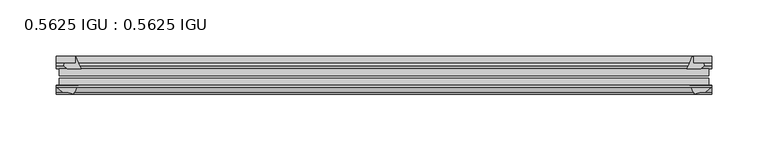
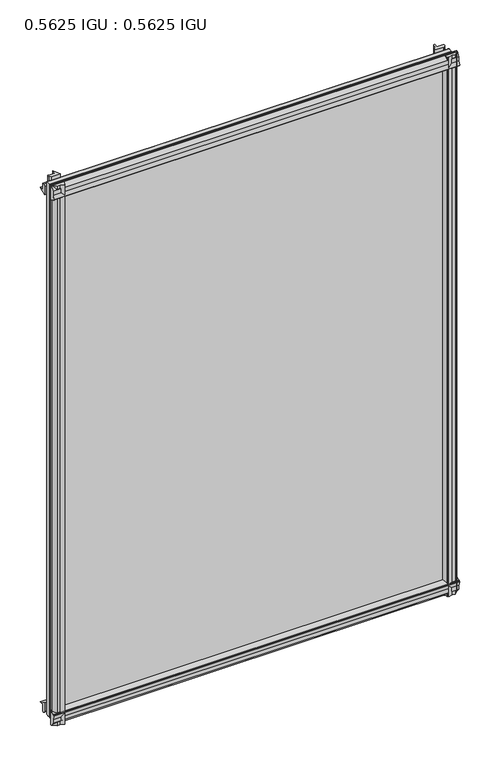
"""IFC4 building model written with IfcOpenShell, lengths in millimetres: plate geometry, 0.5625 IGU : 0.5625 IGU."""

from ifc_helpers import new_model, si_unit, point, frame, frame_2d, origin, place, context, project, spatial, polyline, circle_curve, trimmed, segment, composite_curve, outline, extrude, source, transform, mapped, element, save


def plate_0_5625_igu_0_5625_igu_a9d09987(model_context):
    return source(origin(), model_context, "Body", "SweptSolid", [
        extrude(outline(composite_curve([segment(trimmed(circle_curve(frame_2d((-37.8345654, 15.3636795)), 15.5602222), [point((-35.093275, 0.0468313))], [point((-27.955875, 3.3415337))], True, "CARTESIAN"), True, "CONTINUOUS"), segment(polyline([(-27.955875, 3.3415337), (-27.955875, -17.9974199)]), True, "CONTINUOUS"), segment(trimmed(circle_curve(frame_2d((-28.971875, -17.9974199)), 1.016), [point((-27.955875, -17.9974199))], [point((-29.7387172, -18.6639099))], False, "CARTESIAN"), True, "CONTINUOUS"), segment(polyline([(-29.7387172, -18.6639099), (-34.305875, -13.4090837), (-34.305875, -7.4052024), (-35.880675, -1.5279687), (-34.305875, -1.5279687), (-34.305875, -0.7405687)]), True, "CONTINUOUS"), segment(trimmed(circle_curve(frame_2d((-35.093275, -0.7405687)), 0.7874), [point((-34.305875, -0.7405687))], [point((-35.093275, 0.0468313))], True, "CARTESIAN"), True, "CONTINUOUS")], self_intersect=False)), frame((-291.3122763, 0.0, 0.0), z_axis=(1.0, 0.0, 0.0), x_axis=(0.0, 1.0, 0.0)), (0.0, 0.0, 1.0), 582.6245525),
        extrude(outline(composite_curve([segment(trimmed(circle_curve(frame_2d((11.4445684, 45.0767023)), 47.0962123), [point((-13.096875, 4.8800511))], [point((-2.198896, 0.0))], True, "CARTESIAN"), True, "CONTINUOUS"), segment(polyline([(-2.198896, 0.0), (-8.321675, 0.0), (-8.321675, -9.0936065)]), True, "CONTINUOUS"), segment(trimmed(circle_curve(frame_2d((-9.9050751, -9.085239)), 1.5834222), [point((-8.321675, -9.0936065))], [point((-11.0877177, -10.1381313))], False, "CARTESIAN"), True, "CONTINUOUS"), segment(polyline([(-11.0877177, -10.1381313), (-13.096875, -7.8711888), (-13.096875, 4.8800511)]), True, "CONTINUOUS")], self_intersect=False)), frame((-291.3122763, 0.0, 0.0), z_axis=(1.0, 0.0, 0.0), x_axis=(0.0, 1.0, 0.0)), (0.0, 0.0, 1.0), 582.6245525),
        extrude(outline(composite_curve([segment(polyline([(-34.305875, 794.4590837), (-29.7387172, 799.7139099)]), True, "CONTINUOUS"), segment(trimmed(circle_curve(frame_2d((-28.971875, 799.0474199)), 1.016), [point((-29.7387172, 799.7139099))], [point((-27.955875, 799.0474199))], False, "CARTESIAN"), True, "CONTINUOUS"), segment(polyline([(-27.955875, 799.0474199), (-27.955875, 777.7084663)]), True, "CONTINUOUS"), segment(trimmed(circle_curve(frame_2d((-37.8345654, 765.6863205)), 15.5602222), [point((-27.955875, 777.7084663))], [point((-35.093275, 781.0031687))], True, "CARTESIAN"), True, "CONTINUOUS"), segment(trimmed(circle_curve(frame_2d((-35.093275, 781.7905687)), 0.7874), [point((-35.093275, 781.0031687))], [point((-34.305875, 781.7905687))], True, "CARTESIAN"), True, "CONTINUOUS"), segment(polyline([(-34.305875, 781.7905687), (-34.305875, 782.5779687), (-35.880675, 782.5779687), (-34.305875, 788.4552024), (-34.305875, 794.4590837)]), True, "CONTINUOUS")], self_intersect=False)), frame((-291.3122763, 0.0, 0.0), z_axis=(1.0, 0.0, 0.0), x_axis=(0.0, 1.0, 0.0)), (0.0, 0.0, 1.0), 582.6245525),
        extrude(outline(composite_curve([segment(trimmed(circle_curve(frame_2d((-9.9050751, 790.135239)), 1.5834222), [point((-11.0877177, 791.1881313))], [point((-8.321675, 790.1436065))], False, "CARTESIAN"), True, "CONTINUOUS"), segment(polyline([(-8.321675, 790.1436065), (-8.321675, 781.05), (-2.198896, 781.05)]), True, "CONTINUOUS"), segment(trimmed(circle_curve(frame_2d((11.4445684, 735.9732977)), 47.0962123), [point((-2.198896, 781.05))], [point((-13.096875, 776.1699489))], True, "CARTESIAN"), True, "CONTINUOUS"), segment(polyline([(-13.096875, 776.1699489), (-13.096875, 788.9211888), (-11.0877177, 791.1881313)]), True, "CONTINUOUS")], self_intersect=False)), frame((-291.3122763, 0.0, 0.0), z_axis=(1.0, 0.0, 0.0), x_axis=(0.0, 1.0, 0.0)), (0.0, 0.0, 1.0), 582.6245525),
        extrude(outline(composite_curve([segment(polyline([(274.6831561, -8.321675), (282.9524378, -8.321675)]), True, "CONTINUOUS"), segment(trimmed(circle_curve(frame_2d((282.9440703, -9.9050751)), 1.5834222), [point((282.9524378, -8.321675))], [point((283.9969626, -11.0877177))], False, "CARTESIAN"), True, "CONTINUOUS"), segment(polyline([(283.9969626, -11.0877177), (281.73002, -13.096875), (268.9787802, -13.096875)]), True, "CONTINUOUS"), segment(trimmed(circle_curve(frame_2d((228.7821289, 11.4445684)), 47.0962123), [point((268.9787802, -13.096875))], [point((273.812, -2.352675))], True, "CARTESIAN"), True, "CONTINUOUS"), segment(polyline([(273.812, -2.352675), (274.6831561, -2.5510821), (274.6831561, -8.321675)]), True, "CONTINUOUS")], self_intersect=False)), frame((0.0, 0.0, -19.0134199), z_axis=(0.0, 0.0, 1.0), x_axis=(1.0, 0.0, 0.0)), (0.0, 0.0, 1.0), 818.7273298),
        extrude(outline(composite_curve([segment(trimmed(circle_curve(frame_2d((290.2962763, -28.971875)), 1.016), [point((290.2962763, -27.955875))], [point((290.9627663, -29.7387172))], False, "CARTESIAN"), True, "CONTINUOUS"), segment(polyline([(290.9627663, -29.7387172), (285.7079401, -34.305875), (281.6958336, -34.305875), (275.8186, -35.880675), (275.8186, -34.305875), (274.7282443, -34.305875)]), True, "CONTINUOUS"), segment(trimmed(circle_curve(frame_2d((263.0922917, -36.1215237)), 11.7767556), [point((274.7282443, -34.305875))], [point((271.5784071, -27.955875))], True, "CARTESIAN"), True, "CONTINUOUS"), segment(polyline([(271.5784071, -27.955875), (290.2962763, -27.955875)]), True, "CONTINUOUS")], self_intersect=False)), frame((0.0, 0.0, -19.0134199), z_axis=(0.0, 0.0, 1.0), x_axis=(1.0, 0.0, 0.0)), (0.0, 0.0, 1.0), 818.7273298),
        extrude(outline(composite_curve([segment(trimmed(circle_curve(frame_2d((-228.7821289, 11.4445684)), 47.0962123), [point((-273.7622882, -2.5138875))], [point((-268.9787802, -13.096875))], True, "CARTESIAN"), True, "CONTINUOUS"), segment(polyline([(-268.9787802, -13.096875), (-281.73002, -13.096875), (-283.9969626, -11.0877177)]), True, "CONTINUOUS"), segment(trimmed(circle_curve(frame_2d((-282.9440703, -9.9050751)), 1.5834222), [point((-283.9969626, -11.0877177))], [point((-282.9524378, -8.321675))], False, "CARTESIAN"), True, "CONTINUOUS"), segment(polyline([(-282.9524378, -8.321675), (-273.7622882, -8.321675), (-273.7622882, -2.5138875)]), True, "CONTINUOUS")], self_intersect=False)), frame((0.0, 0.0, -19.0134199), z_axis=(0.0, 0.0, 1.0), x_axis=(1.0, 0.0, 0.0)), (0.0, 0.0, 1.0), 819.0768398),
        extrude(outline(composite_curve([segment(trimmed(circle_curve(frame_2d((-263.0922917, -36.1215237)), 11.7767556), [point((-271.5784071, -27.955875))], [point((-274.7282443, -34.305875))], True, "CARTESIAN"), True, "CONTINUOUS"), segment(polyline([(-274.7282443, -34.305875), (-275.8186, -34.305875), (-275.8186, -35.880675), (-281.6958336, -34.305875), (-285.7079401, -34.305875), (-290.9627663, -29.7387172)]), True, "CONTINUOUS"), segment(trimmed(circle_curve(frame_2d((-290.2962763, -28.971875)), 1.016), [point((-290.9627663, -29.7387172))], [point((-290.2962763, -27.955875))], False, "CARTESIAN"), True, "CONTINUOUS"), segment(polyline([(-290.2962763, -27.955875), (-271.5784071, -27.955875)]), True, "CONTINUOUS")], self_intersect=False)), frame((0.0, 0.0, -19.0134199), z_axis=(0.0, 0.0, 1.0), x_axis=(1.0, 0.0, 0.0)), (0.0, 0.0, 1.0), 819.0768398),
        extrude(outline(polyline([(-288.5313, -13.096875), (288.5313, -13.096875), (288.5313, -19.396075), (-288.5313, -19.396075), (-288.5313, -13.096875)])), frame((0.0, 0.0, -13.5929687), z_axis=(0.0, 0.0, 1.0), x_axis=(1.0, 0.0, 0.0)), (0.0, 0.0, 1.0), 808.2359375),
        extrude(outline(polyline([(288.5313, -21.656675), (288.5313, -27.955875), (-288.5313, -27.955875), (-288.5313, -21.656675), (288.5313, -21.656675)])), frame((0.0, 0.0, -13.5929687), z_axis=(0.0, 0.0, 1.0), x_axis=(1.0, 0.0, 0.0)), (0.0, 0.0, 1.0), 808.2359375),
    ])


if __name__ == "__main__":
    model = new_model("IFC4")
    model_context = context("Model", 3, world=origin())
    ifc_project = project(units=[si_unit("LENGTHUNIT", "METRE", prefix="MILLI")], contexts=[model_context])
    site = spatial("IfcSite", under=ifc_project)
    building = spatial("IfcBuilding", under=site)
    placement = place(None, origin())
    plate_0_5625_igu_0_5625_igu_shape = plate_0_5625_igu_0_5625_igu_a9d09987(model_context)
    element("IfcPlate", 1, ObjectType="0.5625 IGU : 0.5625 IGU", at=placement, inside=building, context=model_context, shape_type="MappedRepresentation", body=[
        mapped(plate_0_5625_igu_0_5625_igu_shape, transform((0.0, 0.0, 0.0), x_axis=(1.0, 0.0, 0.0), y_axis=(0.0, 1.0, 0.0), z_axis=(0.0, 0.0, 1.0))),
    ])
    save(model, "model.ifc")
